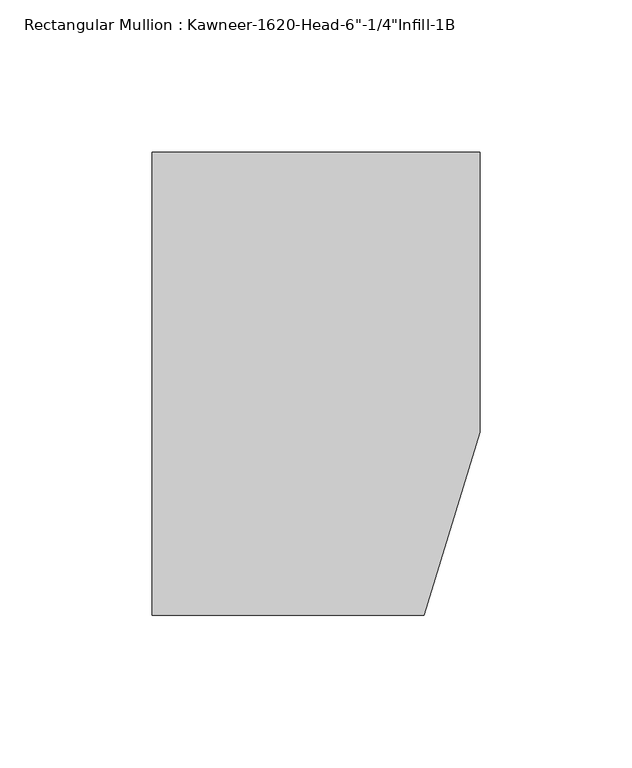
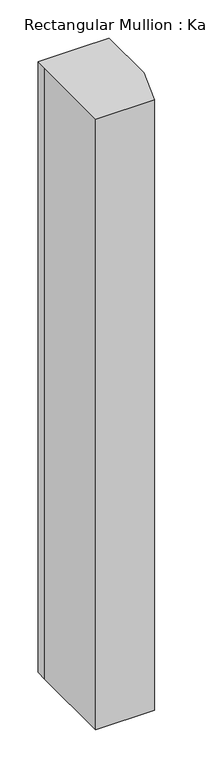
"""IFC4 building model written with IfcOpenShell, lengths in millimetres: member geometry."""

from ifc_helpers import new_model, si_unit, frame, origin, place, context, project, spatial, polyline, outline, extrude, source, transform, mapped, element, save


def member_45552619(model_context):
    return source(origin(), model_context, "Body", "SweptSolid", [
        extrude(outline(polyline([(-107.95, 10.3845466), (-107.95, 28.575), (-44.1519366, 28.575), (0.0, 28.575), (0.0, -63.5), (-18.3538271, -123.825), (-107.95, -123.825), (-107.95, 10.3845466)])), frame((0.0, 0.0, -981.075), z_axis=(0.0, 0.0, 1.0), x_axis=(1.0, 0.0, 0.0)), (0.0, 0.0, 1.0), 981.075),
    ])


if __name__ == "__main__":
    model = new_model("IFC4")
    model_context = context("Model", 3, world=origin())
    ifc_project = project(units=[si_unit("LENGTHUNIT", "METRE", prefix="MILLI")], contexts=[model_context])
    site = spatial("IfcSite", under=ifc_project)
    building = spatial("IfcBuilding", under=site)
    placement = place(None, origin())
    member_shape = member_45552619(model_context)
    element("IfcMember", 1, ObjectType="Rectangular Mullion : Kawneer-1620-Head-6\"-1/4\"Infill-1B", at=placement, inside=building, context=model_context, shape_type="MappedRepresentation", body=[
        mapped(member_shape, transform((0.0, 0.0, 0.0), x_axis=(1.0, 0.0, 0.0), y_axis=(0.0, 1.0, 0.0), z_axis=(0.0, 0.0, 1.0))),
    ])
    save(model, "model.ifc")
